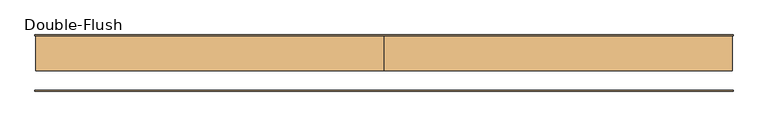
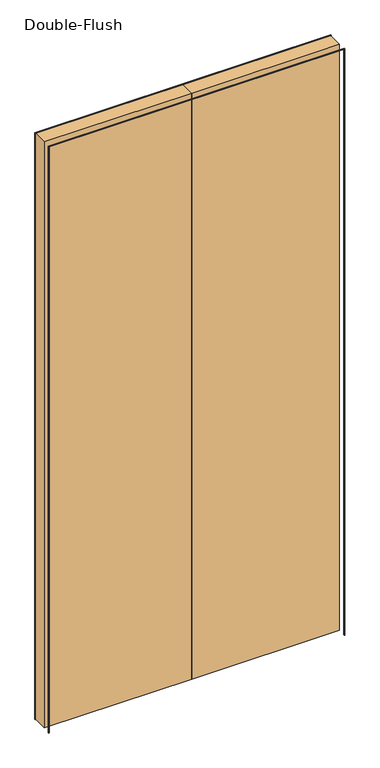
"""IFC4 building model written with IfcOpenShell, lengths in millimetres: door geometry, Double-Flush."""

from ifc_helpers import new_model, si_unit, frame, origin, origin_with_axes, place, context, project, spatial, polyline, outline, extrude, source, transform, mapped, element, save


def double_flush_839697f9(model_context):
    return source(origin(), model_context, "Body", "SweptSolid", [
        extrude(outline(polyline([(0.0, 39.6875), (508.0, 39.6875), (508.0, -11.1125), (0.0, -11.1125), (0.0, 39.6875)])), origin_with_axes(), (0.0, 0.0, 1.0), 2133.6),
        extrude(outline(polyline([(-508.0, 39.6875), (0.0, 39.6875), (0.0, -11.1125), (-508.0, -11.1125), (-508.0, 39.6875)])), origin_with_axes(), (0.0, 0.0, 1.0), 2133.6),
        extrude(outline(polyline([(2133.6, -508.0), (2133.6, 508.0), (0.0, 508.0), (0.0, 509.5875), (2135.1875, 509.5875), (2135.1875, -509.5875), (0.0, -509.5875), (0.0, -508.0), (2133.6, -508.0)])), frame((0.0, -41.275, 0.0), z_axis=(0.0, 1.0, 0.0), x_axis=(0.0, 0.0, 1.0)), (0.0, 0.0, 1.0), 1.5875),
        extrude(outline(polyline([(2133.6, -508.0), (2133.6, 508.0), (0.0, 508.0), (0.0, 509.5875), (2135.1875, 509.5875), (2135.1875, -509.5875), (0.0, -509.5875), (0.0, -508.0), (2133.6, -508.0)])), frame((0.0, 39.6875, 0.0), z_axis=(0.0, 1.0, 0.0), x_axis=(0.0, 0.0, 1.0)), (0.0, 0.0, 1.0), 1.5875),
    ])


if __name__ == "__main__":
    model = new_model("IFC4")
    model_context = context("Model", 3, world=origin())
    ifc_project = project(units=[si_unit("LENGTHUNIT", "METRE", prefix="MILLI")], contexts=[model_context])
    site = spatial("IfcSite", under=ifc_project)
    building = spatial("IfcBuilding", under=site)
    placement = place(None, origin())
    double_flush_shape = double_flush_839697f9(model_context)
    element("IfcDoor", 1, ObjectType="Double-Flush", at=placement, inside=building, context=model_context, shape_type="MappedRepresentation", body=[
        mapped(double_flush_shape, transform((0.0, 0.0, 0.0), x_axis=(1.0, 0.0, 0.0), y_axis=(0.0, 1.0, 0.0), z_axis=(0.0, 0.0, 1.0))),
    ])
    save(model, "model.ifc")
